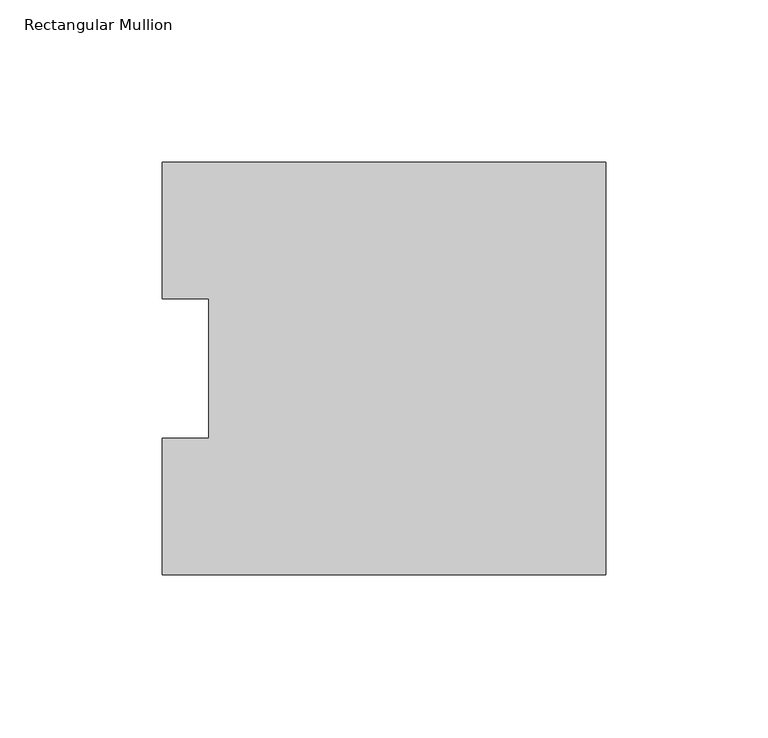
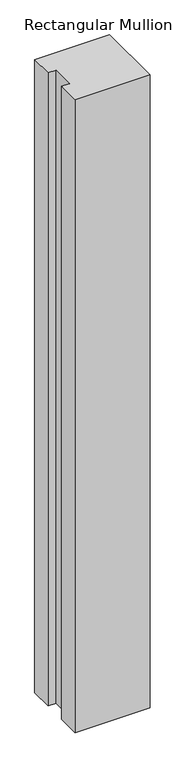
"""IFC4 building model written with IfcOpenShell, lengths in millimetres: member geometry, Rectangular Mullion."""

from ifc_helpers import new_model, si_unit, frame, origin, place, context, project, spatial, polyline, outline, extrude, source, transform, mapped, element, save


def rectangular_mullion_0a96e186(model_context):
    return source(origin(), model_context, "Body", "SweptSolid", [
        extrude(outline(polyline([(0.0, 126.7086937), (0.0, -0.2913063), (-136.525, -0.2913063), (-136.525, 41.7837937), (-122.2375, 41.7837937), (-122.2375, 84.6335937), (-136.525, 84.6335937), (-136.525, 126.7086937), (0.0, 126.7086937)])), frame((0.0, 0.0, -1219.2), z_axis=(0.0, 0.0, 1.0), x_axis=(1.0, 0.0, 0.0)), (0.0, 0.0, 1.0), 1219.2),
    ])


if __name__ == "__main__":
    model = new_model("IFC4")
    model_context = context("Model", 3, world=origin())
    ifc_project = project(units=[si_unit("LENGTHUNIT", "METRE", prefix="MILLI")], contexts=[model_context])
    site = spatial("IfcSite", under=ifc_project)
    building = spatial("IfcBuilding", under=site)
    placement = place(None, origin())
    rectangular_mullion_shape = rectangular_mullion_0a96e186(model_context)
    element("IfcMember", 1, ObjectType="Rectangular Mullion", at=placement, inside=building, context=model_context, shape_type="MappedRepresentation", body=[
        mapped(rectangular_mullion_shape, transform((0.0, 0.0, 0.0), x_axis=(1.0, 0.0, 0.0), y_axis=(0.0, 1.0, 0.0), z_axis=(0.0, 0.0, 1.0))),
    ])
    save(model, "model.ifc")
